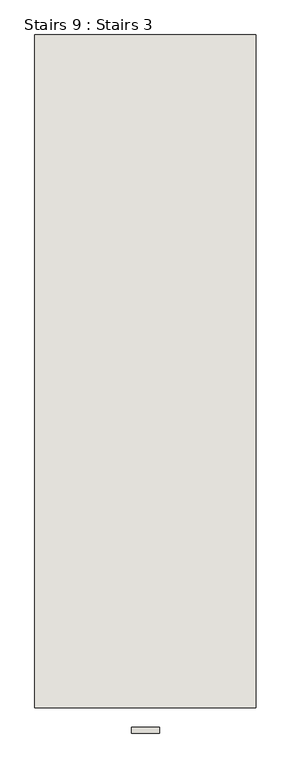
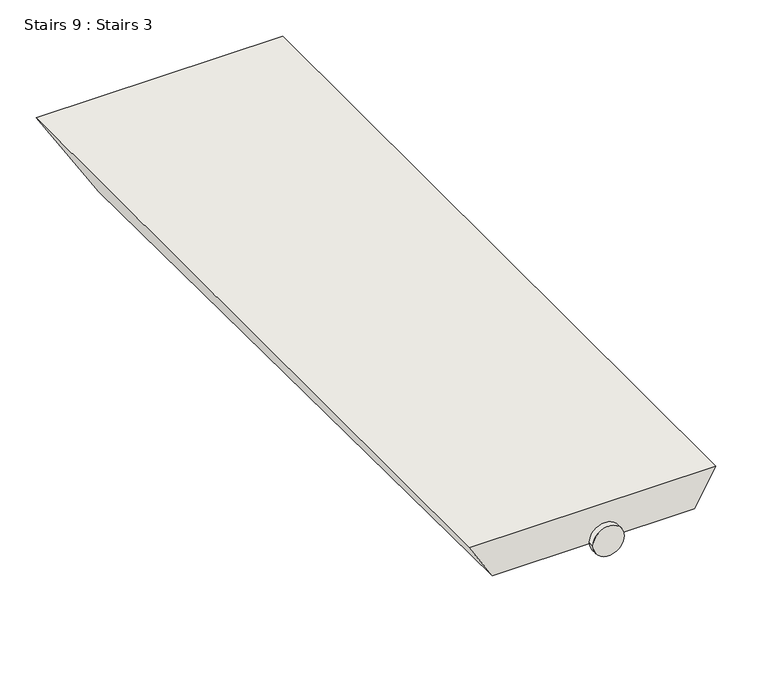
"""IFC4 building model written with IfcOpenShell, lengths in millimetres: wall geometry, Stairs 9 : Stairs 3."""

from ifc_helpers import new_model, si_unit, point, frame, frame_2d, origin, place, context, project, spatial, circle_curve, trimmed, segment, composite_curve, outline, extrude, faceted_brep, source, transform, mapped, element, save


def stairs_9_stairs_3_06267f4b(model_context):
    return source(origin(), model_context, "Body", "SolidModel", [
        extrude(outline(composite_curve([segment(trimmed(circle_curve(frame_2d((69754.6907326, 100705.8884964)), 25.0), [point((69754.6907326, 100730.8884964))], [point((69754.6907326, 100680.8884964))], False, "CARTESIAN"), True, "CONTINUOUS"), segment(trimmed(circle_curve(frame_2d((69754.6907326, 100705.8884964)), 25.0), [point((69754.6907326, 100680.8884964))], [point((69754.6907326, 100730.8884964))], False, "CARTESIAN"), True, "CONTINUOUS")], self_intersect=False)), frame((0.0, -36520.9230841, 0.0), z_axis=(0.0, 1.0, 0.0), x_axis=(0.0, 0.0, 1.0)), (0.0, 0.0, 1.0), 10.0),
        faceted_brep([(100903.2354762, -36475.9230841, 69784.6907326), (100508.5415167, -36475.9230841, 69784.6907326), (100546.0336778, -36475.9230841, 69724.6907326), (100868.59446, -36475.9230841, 69724.6907326), (100508.5415167, -35275.9230841, 69784.6907326), (100903.2354762, -35275.9230841, 69784.6907326), (100810.8594331, -35275.9230841, 69624.6907326), (100608.520613, -35275.9230841, 69624.6907326)], [[[0, 1, 2, 3]], [[4, 5, 6, 7]], [[5, 4, 1, 0]], [[7, 6, 3, 2]], [[2, 1, 4, 7]], [[0, 3, 6, 5]]]),
    ])


if __name__ == "__main__":
    model = new_model("IFC4")
    model_context = context("Model", 3, world=origin())
    ifc_project = project(units=[si_unit("LENGTHUNIT", "METRE", prefix="MILLI")], contexts=[model_context])
    site = spatial("IfcSite", under=ifc_project)
    building = spatial("IfcBuilding", under=site)
    placement = place(None, origin())
    stairs_9_stairs_3_shape = stairs_9_stairs_3_06267f4b(model_context)
    element("IfcWall", 1, ObjectType="Stairs 9 : Stairs 3", at=placement, inside=building, context=model_context, shape_type="MappedRepresentation", body=[
        mapped(stairs_9_stairs_3_shape, transform((0.0, 0.0, 0.0), x_axis=(1.0, 0.0, 0.0), y_axis=(0.0, 1.0, 0.0), z_axis=(0.0, 0.0, 1.0))),
    ])
    save(model, "model.ifc")
